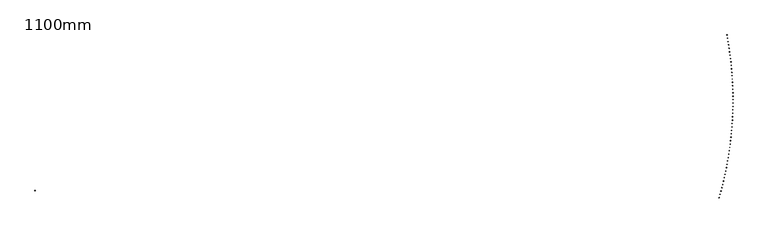
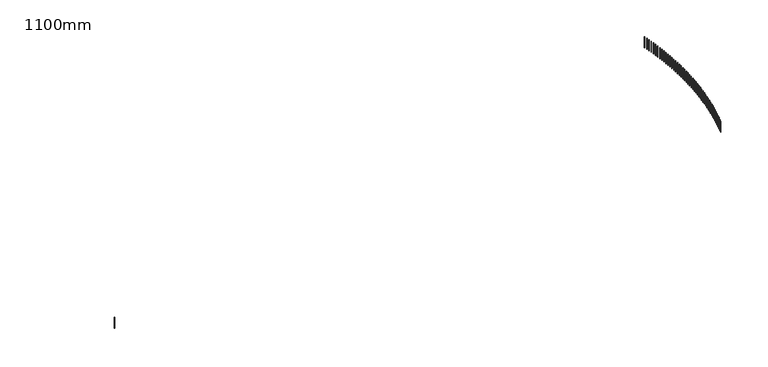
"""IFC4 building model written with IfcOpenShell, lengths in millimetres: railing geometry, 1100mm."""

from ifc_helpers import new_model, si_unit, frame, origin, place, context, project, spatial, polyline, outline, extrude, source, transform, mapped, element, save


def railing_1100mm_d03e1382(model_context):
    return source(origin(), model_context, "Body", "SweptSolid", [
        extrude(outline(polyline([(18164.9499455, -61980.7188274), (18188.9790862, -61987.6181313), (18182.0797824, -62011.6472721), (18158.0506416, -62004.7479682), (18164.9499455, -61980.7188274)])), frame((0.0, 0.0, 26600.0), z_axis=(0.0, 0.0, 1.0), x_axis=(1.0, 0.0, 0.0)), (0.0, 0.0, 1.0), 1050.0),
        extrude(outline(polyline([(18239.412749, -61716.1187681), (18263.5075375, -61722.785189), (18256.8411166, -61746.8799775), (18232.7463281, -61740.2135565), (18239.412749, -61716.1187681)])), frame((0.0, 0.0, 26600.0), z_axis=(0.0, 0.0, 1.0), x_axis=(1.0, 0.0, 0.0)), (0.0, 0.0, 1.0), 1050.0),
        extrude(outline(polyline([(18311.3112025, -61450.8104325), (18335.4693817, -61457.2433461), (18329.0364681, -61481.4015253), (18304.8782889, -61474.9686117), (18311.3112025, -61450.8104325)])), frame((0.0, 0.0, 26600.0), z_axis=(0.0, 0.0, 1.0), x_axis=(1.0, 0.0, 0.0)), (0.0, 0.0, 1.0), 1050.0),
        extrude(outline(polyline([(18380.6385712, -61184.8186723), (18404.8578782, -61191.017476), (18398.6590745, -61215.236783), (18374.4397675, -61209.0379793), (18380.6385712, -61184.8186723)])), frame((0.0, 0.0, 26600.0), z_axis=(0.0, 0.0, 1.0), x_axis=(1.0, 0.0, 0.0)), (0.0, 0.0, 1.0), 1050.0),
        extrude(outline(polyline([(18447.388361, -60918.168403), (18471.6665272, -60924.1325162), (18465.7024141, -60948.4106824), (18441.4242479, -60942.4465693), (18447.388361, -60918.168403)])), frame((0.0, 0.0, 26600.0), z_axis=(0.0, 0.0, 1.0), x_axis=(1.0, 0.0, 0.0)), (0.0, 0.0, 1.0), 1050.0),
        extrude(outline(polyline([(18511.5543196, -60650.884602), (18535.8890708, -60656.6134659), (18530.1602069, -60680.9482172), (18505.8254557, -60675.2193533), (18511.5543196, -60650.884602)])), frame((0.0, 0.0, 26600.0), z_axis=(0.0, 0.0, 1.0), x_axis=(1.0, 0.0, 0.0)), (0.0, 0.0, 1.0), 1050.0),
        extrude(outline(polyline([(18573.1304364, -60382.9923058), (18597.5194933, -60388.4853838), (18592.0264152, -60412.8744407), (18567.6373584, -60407.3813626), (18573.1304364, -60382.9923058)])), frame((0.0, 0.0, 26600.0), z_axis=(0.0, 0.0, 1.0), x_axis=(1.0, 0.0, 0.0)), (0.0, 0.0, 1.0), 1050.0),
        extrude(outline(polyline([(18632.1109437, -60114.516608), (18656.5520216, -60119.7733857), (18651.2952439, -60144.2144636), (18626.854166, -60138.9576859), (18632.1109437, -60114.516608)])), frame((0.0, 0.0, 26600.0), z_axis=(0.0, 0.0, 1.0), x_axis=(1.0, 0.0, 0.0)), (0.0, 0.0, 1.0), 1050.0),
        extrude(outline(polyline([(18688.4903166, -59845.4826569), (18712.9811262, -59850.5026418), (18707.9611413, -59874.9934513), (18683.4703318, -59869.9734664), (18688.4903166, -59845.4826569)])), frame((0.0, 0.0, 26600.0), z_axis=(0.0, 0.0, 1.0), x_axis=(1.0, 0.0, 0.0)), (0.0, 0.0, 1.0), 1050.0),
        extrude(outline(polyline([(18742.2632741, -59575.915653), (18766.8015213, -59580.6983749), (18762.0187994, -59605.236622), (18737.4805523, -59600.4539002), (18742.2632741, -59575.915653)])), frame((0.0, 0.0, 26600.0), z_axis=(0.0, 0.0, 1.0), x_axis=(1.0, 0.0, 0.0)), (0.0, 0.0, 1.0), 1050.0),
        extrude(outline(polyline([(18793.4247793, -59305.8408469), (18818.0081655, -59310.3858577), (18813.4631547, -59334.9692439), (18788.8797685, -59330.4242331), (18793.4247793, -59305.8408469)])), frame((0.0, 0.0, 26600.0), z_axis=(0.0, 0.0, 1.0), x_axis=(1.0, 0.0, 0.0)), (0.0, 0.0, 1.0), 1050.0),
        extrude(outline(polyline([(18841.9700398, -59035.2835364), (18866.5962623, -59039.5904105), (18862.2893882, -59064.216633), (18837.6631657, -59059.909759), (18841.9700398, -59035.2835364)])), frame((0.0, 0.0, 26600.0), z_axis=(0.0, 0.0, 1.0), x_axis=(1.0, 0.0, 0.0)), (0.0, 0.0, 1.0), 1050.0),
        extrude(outline(polyline([(18887.8945083, -58764.269065), (18912.5612604, -58768.3373989), (18908.4929265, -58793.004151), (18883.8261744, -58788.9358171), (18887.8945083, -58764.269065)])), frame((0.0, 0.0, 26600.0), z_axis=(0.0, 0.0, 1.0), x_axis=(1.0, 0.0, 0.0)), (0.0, 0.0, 1.0), 1050.0),
        extrude(outline(polyline([(18931.1938832, -58492.8228186), (18955.8988543, -58496.6522313), (18952.0694417, -58521.3572024), (18927.3644706, -58517.5277898), (18931.1938832, -58492.8228186)])), frame((0.0, 0.0, 26600.0), z_axis=(0.0, 0.0, 1.0), x_axis=(1.0, 0.0, 0.0)), (0.0, 0.0, 1.0), 1050.0),
        extrude(outline(polyline([(18971.8641085, -58220.9702238), (18996.6049845, -58224.5603565), (18993.0148518, -58249.3012325), (18968.2739758, -58245.7110998), (18971.8641085, -58220.9702238)])), frame((0.0, 0.0, 26600.0), z_axis=(0.0, 0.0, 1.0), x_axis=(1.0, 0.0, 0.0)), (0.0, 0.0, 1.0), 1050.0),
        extrude(outline(polyline([(19009.9013746, -57948.7367451), (19034.675838, -57952.0872615), (19031.3253216, -57976.861725), (19006.5508581, -57973.5112086), (19009.9013746, -57948.7367451)])), frame((0.0, 0.0, 26600.0), z_axis=(0.0, 0.0, 1.0), x_axis=(1.0, 0.0, 0.0)), (0.0, 0.0, 1.0), 1050.0),
        extrude(outline(polyline([(19045.3021185, -57676.1478828), (19070.1078487, -57679.2584691), (19066.9972624, -57704.0641993), (19042.1915322, -57700.953613), (19045.3021185, -57676.1478828)])), frame((0.0, 0.0, 26600.0), z_axis=(0.0, 0.0, 1.0), x_axis=(1.0, 0.0, 0.0)), (0.0, 0.0, 1.0), 1050.0),
        extrude(outline(polyline([(19078.0630243, -57403.2291703), (19102.8976977, -57406.0995352), (19100.0273329, -57430.9342086), (19075.1926595, -57428.0638438), (19078.0630243, -57403.2291703)])), frame((0.0, 0.0, 26600.0), z_axis=(0.0, 0.0, 1.0), x_axis=(1.0, 0.0, 0.0)), (0.0, 0.0, 1.0), 1050.0),
        extrude(outline(polyline([(19108.1810232, -57130.0061723), (19133.0423136, -57132.6360468), (19130.4124391, -57157.4973372), (19105.5511487, -57154.8674627), (19108.1810232, -57130.0061723)])), frame((0.0, 0.0, 26600.0), z_axis=(0.0, 0.0, 1.0), x_axis=(1.0, 0.0, 0.0)), (0.0, 0.0, 1.0), 1050.0),
        extrude(outline(polyline([(19135.6532941, -56856.5044815), (19160.5388726, -56858.8936193), (19158.1497348, -56883.7791979), (19133.2641562, -56881.39006), (19135.6532941, -56856.5044815)])), frame((0.0, 0.0, 26600.0), z_axis=(0.0, 0.0, 1.0), x_axis=(1.0, 0.0, 0.0)), (0.0, 0.0, 1.0), 1050.0),
        extrude(outline(polyline([(19160.4772635, -56582.749717), (19185.3847992, -56584.8978943), (19183.2366219, -56609.80543), (19158.3290862, -56607.6572527), (19160.4772635, -56582.749717)])), frame((0.0, 0.0, 26600.0), z_axis=(0.0, 0.0, 1.0), x_axis=(1.0, 0.0, 0.0)), (0.0, 0.0, 1.0), 1050.0),
        extrude(outline(polyline([(19182.6506063, -56308.7675216), (19207.577766, -56310.6745372), (19205.6707504, -56335.6016969), (19180.7435907, -56333.6946813), (19182.6506063, -56308.7675216)])), frame((0.0, 0.0, 26600.0), z_axis=(0.0, 0.0, 1.0), x_axis=(1.0, 0.0, 0.0)), (0.0, 0.0, 1.0), 1050.0),
        extrude(outline(polyline([(19202.1712455, -56034.5835593), (19227.1156943, -56036.2492346), (19225.4500189, -56061.1936834), (19200.5055701, -56059.5280081), (19202.1712455, -56034.5835593)])), frame((0.0, 0.0, 26600.0), z_axis=(0.0, 0.0, 1.0), x_axis=(1.0, 0.0, 0.0)), (0.0, 0.0, 1.0), 1050.0),
        extrude(outline(polyline([(19219.0373524, -55760.223513), (19243.9967538, -55761.647692), (19242.5725748, -55786.6070933), (19217.6131735, -55785.1829143), (19219.0373524, -55760.223513)])), frame((0.0, 0.0, 26600.0), z_axis=(0.0, 0.0, 1.0), x_axis=(1.0, 0.0, 0.0)), (0.0, 0.0, 1.0), 1050.0),
        extrude(outline(polyline([(19233.2473474, -55485.7130823), (19258.2193633, -55486.8956315), (19257.036814, -55511.8676474), (19232.0647982, -55510.6850982), (19233.2473474, -55485.7130823)])), frame((0.0, 0.0, 26600.0), z_axis=(0.0, 0.0, 1.0), x_axis=(1.0, 0.0, 0.0)), (0.0, 0.0, 1.0), 1050.0),
        extrude(outline(polyline([(19244.7998993, -55211.0779806), (19269.7821906, -55212.0187893), (19268.8413819, -55237.0010806), (19243.8590906, -55236.0602719), (19244.7998993, -55211.0779806)])), frame((0.0, 0.0, 26600.0), z_axis=(0.0, 0.0, 1.0), x_axis=(1.0, 0.0, 0.0)), (0.0, 0.0, 1.0), 1050.0),
        extrude(outline(polyline([(19253.693926, -54936.3439331), (19278.6841526, -54937.0429132), (19277.9851725, -54962.0331398), (19252.9949459, -54961.3341598), (19253.693926, -54936.3439331)])), frame((0.0, 0.0, 26600.0), z_axis=(0.0, 0.0, 1.0), x_axis=(1.0, 0.0, 0.0)), (0.0, 0.0, 1.0), 1050.0),
        extrude(outline(polyline([(19259.9285943, -54661.5366744), (19284.9244154, -54661.9937604), (19284.4673295, -54686.9895815), (19259.4715084, -54686.5324955), (19259.9285943, -54661.5366744)])), frame((0.0, 0.0, 26600.0), z_axis=(0.0, 0.0, 1.0), x_axis=(1.0, 0.0, 0.0)), (0.0, 0.0, 1.0), 1050.0),
        extrude(outline(polyline([(19263.5033203, -54386.6819458), (19288.5023945, -54386.8970948), (19288.2872455, -54411.896169), (19263.2881713, -54411.68102), (19263.5033203, -54386.6819458)])), frame((0.0, 0.0, 26600.0), z_axis=(0.0, 0.0, 1.0), x_axis=(1.0, 0.0, 0.0)), (0.0, 0.0, 1.0), 1050.0),
        extrude(outline(polyline([(19264.4177692, -54111.8054929), (19289.4177548, -54111.7786848), (19289.4445629, -54136.7786705), (19264.4445773, -54136.8054785), (19264.4177692, -54111.8054929)])), frame((0.0, 0.0, 26600.0), z_axis=(0.0, 0.0, 1.0), x_axis=(1.0, 0.0, 0.0)), (0.0, 0.0, 1.0), 1050.0),
        extrude(outline(polyline([(19262.6718552, -53836.9330637), (19287.6704105, -53836.6643011), (19287.9391732, -53861.6628564), (19262.9406179, -53861.931619), (19262.6718552, -53836.9330637)])), frame((0.0, 0.0, 26600.0), z_axis=(0.0, 0.0, 1.0), x_axis=(1.0, 0.0, 0.0)), (0.0, 0.0, 1.0), 1050.0),
        extrude(outline(polyline([(19258.265742, -53562.0904057), (19283.2605253, -53561.5797136), (19283.7712174, -53586.5744969), (19258.776434, -53587.085189), (19258.265742, -53562.0904057)])), frame((0.0, 0.0, 26600.0), z_axis=(0.0, 0.0, 1.0), x_axis=(1.0, 0.0, 0.0)), (0.0, 0.0, 1.0), 1050.0),
        extrude(outline(polyline([(19251.1998422, -53287.3032633), (19276.1885122, -53286.5506897), (19276.9410859, -53311.5393598), (19251.9524158, -53312.2919334), (19251.1998422, -53287.3032633)])), frame((0.0, 0.0, 26600.0), z_axis=(0.0, 0.0, 1.0), x_axis=(1.0, 0.0, 0.0)), (0.0, 0.0, 1.0), 1050.0),
        extrude(outline(polyline([(19241.4748176, -53012.5973762), (19266.4550338, -53011.6029914), (19267.4494185, -53036.5832076), (19242.4692024, -53037.5775923), (19241.4748176, -53012.5973762)])), frame((0.0, 0.0, 26600.0), z_axis=(0.0, 0.0, 1.0), x_axis=(1.0, 0.0, 0.0)), (0.0, 0.0, 1.0), 1050.0),
        extrude(outline(polyline([(19229.0915794, -52737.998476), (19254.0610017, -52736.7623734), (19255.2971043, -52761.7317957), (19230.327682, -52762.9678983), (19229.0915794, -52737.998476)])), frame((0.0, 0.0, 26600.0), z_axis=(0.0, 0.0, 1.0), x_axis=(1.0, 0.0, 0.0)), (0.0, 0.0, 1.0), 1050.0),
        extrude(outline(polyline([(19214.0512873, -52463.5322848), (19239.0075769, -52462.05458), (19240.4852817, -52487.0108695), (19215.5289921, -52488.4885743), (19214.0512873, -52463.5322848)])), frame((0.0, 0.0, 26600.0), z_axis=(0.0, 0.0, 1.0), x_axis=(1.0, 0.0, 0.0)), (0.0, 0.0, 1.0), 1050.0),
        extrude(outline(polyline([(19196.3553503, -52189.2245117), (19221.2961694, -52187.5053432), (19223.0153379, -52212.4461624), (19198.0745188, -52214.1653309), (19196.3553503, -52189.2245117)])), frame((0.0, 0.0, 26600.0), z_axis=(0.0, 0.0, 1.0), x_axis=(1.0, 0.0, 0.0)), (0.0, 0.0, 1.0), 1050.0),
        extrude(outline(polyline([(19176.0054258, -51915.1008515), (19200.9284384, -51913.1403803), (19202.8889096, -51938.0633928), (19177.965897, -51940.023864), (19176.0054258, -51915.1008515)])), frame((0.0, 0.0, 26600.0), z_axis=(0.0, 0.0, 1.0), x_axis=(1.0, 0.0, 0.0)), (0.0, 0.0, 1.0), 1050.0),
        extrude(outline(polyline([(19153.0034202, -51641.1869813), (19177.9062916, -51638.985391), (19180.1078818, -51663.8882624), (19155.2050105, -51666.0898526), (19153.0034202, -51641.1869813)])), frame((0.0, 0.0, 26600.0), z_axis=(0.0, 0.0, 1.0), x_axis=(1.0, 0.0, 0.0)), (0.0, 0.0, 1.0), 1050.0),
        extrude(outline(polyline([(19127.351488, -51367.5085588), (19152.2318855, -51365.0660558), (19154.6743886, -51389.9464532), (19129.7939911, -51392.3889563), (19127.351488, -51367.5085588)])), frame((0.0, 0.0, 26600.0), z_axis=(0.0, 0.0, 1.0), x_axis=(1.0, 0.0, 0.0)), (0.0, 0.0, 1.0), 1050.0),
        extrude(outline(polyline([(19099.052032, -51094.0912197), (19123.9076251, -51091.4080326), (19126.5908122, -51116.2636257), (19101.7352192, -51118.9468128), (19099.052032, -51094.0912197)])), frame((0.0, 0.0, 26600.0), z_axis=(0.0, 0.0, 1.0), x_axis=(1.0, 0.0, 0.0)), (0.0, 0.0, 1.0), 1050.0),
        extrude(outline(polyline([(19068.1077031, -50820.9605751), (19092.9361636, -50818.0369553), (19095.8597834, -50842.8654157), (19071.031323, -50845.7890355), (19068.1077031, -50820.9605751)])), frame((0.0, 0.0, 26600.0), z_axis=(0.0, 0.0, 1.0), x_axis=(1.0, 0.0, 0.0)), (0.0, 0.0, 1.0), 1050.0),
        extrude(outline(polyline([(19034.5213999, -50548.1422092), (19059.320402, -50544.9784305), (19062.4841806, -50569.7774326), (19037.6851785, -50572.9412113), (19034.5213999, -50548.1422092)])), frame((0.0, 0.0, 26600.0), z_axis=(0.0, 0.0, 1.0), x_axis=(1.0, 0.0, 0.0)), (0.0, 0.0, 1.0), 1050.0),
        extrude(outline(polyline([(18998.2962683, -50275.6616771), (19023.0634891, -50272.2580359), (19026.4671303, -50297.0252567), (19001.6999094, -50300.4288979), (18998.2962683, -50275.6616771)])), frame((0.0, 0.0, 26600.0), z_axis=(0.0, 0.0, 1.0), x_axis=(1.0, 0.0, 0.0)), (0.0, 0.0, 1.0), 1050.0),
        extrude(outline(polyline([(18959.4357016, -50003.5445021), (18984.1688212, -49999.9013173), (18987.812006, -50024.6344369), (18963.0788864, -50028.2776217), (18959.4357016, -50003.5445021)])), frame((0.0, 0.0, 26600.0), z_axis=(0.0, 0.0, 1.0), x_axis=(1.0, 0.0, 0.0)), (0.0, 0.0, 1.0), 1050.0),
        extrude(outline(polyline([(18917.9433399, -49731.8161737), (18942.6400415, -49727.9337865), (18946.5224288, -49752.6304881), (18921.8257272, -49756.5128753), (18917.9433399, -49731.8161737)])), frame((0.0, 0.0, 26600.0), z_axis=(0.0, 0.0, 1.0), x_axis=(1.0, 0.0, 0.0)), (0.0, 0.0, 1.0), 1050.0),
        extrude(outline(polyline([(18873.8230699, -49460.5021448), (18898.4810401, -49456.3809188), (18902.6022661, -49481.038889), (18877.9442958, -49485.160115), (18873.8230699, -49460.5021448)])), frame((0.0, 0.0, 26600.0), z_axis=(0.0, 0.0, 1.0), x_axis=(1.0, 0.0, 0.0)), (0.0, 0.0, 1.0), 1050.0),
        extrude(outline(polyline([(18827.0790242, -49189.6278294), (18851.6959533, -49185.2681507), (18856.055632, -49209.8850799), (18831.4387029, -49214.2447586), (18827.0790242, -49189.6278294)])), frame((0.0, 0.0, 26600.0), z_axis=(0.0, 0.0, 1.0), x_axis=(1.0, 0.0, 0.0)), (0.0, 0.0, 1.0), 1050.0),
        extrude(outline(polyline([(-36591.1817593, -61427.7006449), (-36615.3509807, -61434.0919464), (-36621.7422823, -61409.922725), (-36597.5730609, -61403.5314235), (-36591.1817593, -61427.7006449)])), frame((0.0, 0.0, 26600.0), z_axis=(0.0, 0.0, 1.0), x_axis=(1.0, 0.0, 0.0)), (0.0, 0.0, 1.0), 1050.0),
        extrude(outline(polyline([(18780.0161355, -48931.4994813), (18804.591738, -48926.9125693), (18809.1786501, -48951.4881718), (18784.6030476, -48956.0750838), (18780.0161355, -48931.4994813)])), frame((0.0, 0.0, 26600.0), z_axis=(0.0, 0.0, 1.0), x_axis=(1.0, 0.0, 0.0)), (0.0, 0.0, 1.0), 1050.0),
    ])


if __name__ == "__main__":
    model = new_model("IFC4")
    model_context = context("Model", 3, world=origin())
    ifc_project = project(units=[si_unit("LENGTHUNIT", "METRE", prefix="MILLI")], contexts=[model_context])
    site = spatial("IfcSite", under=ifc_project)
    building = spatial("IfcBuilding", under=site)
    placement = place(None, origin())
    railing_1100mm_shape = railing_1100mm_d03e1382(model_context)
    element("IfcRailing", 1, ObjectType="1100mm", at=placement, inside=building, context=model_context, shape_type="MappedRepresentation", body=[
        mapped(railing_1100mm_shape, transform((0.0, 0.0, 0.0), x_axis=(1.0, 0.0, 0.0), y_axis=(0.0, 1.0, 0.0), z_axis=(0.0, 0.0, 1.0))),
    ])
    save(model, "model.ifc")
